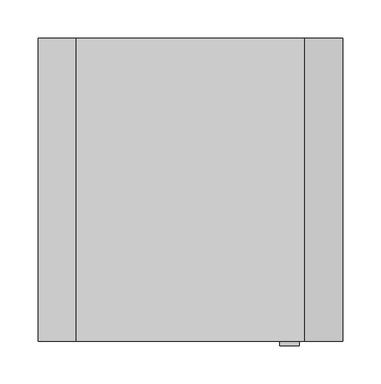
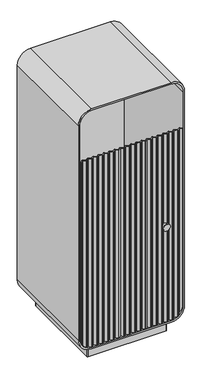
"""IFC4 building model written with IfcOpenShell, lengths in millimetres: furniture geometry."""

from ifc_helpers import new_model, si_unit, point, frame, frame_2d, origin, origin_with_axes, place, context, project, spatial, polyline, circle_curve, ellipse_curve, trimmed, segment, composite_curve, outline, extrude, source, transform, mapped, element, save
from ifc_brep_helpers import plane_surface, cylinder_surface, advanced_brep


def furniture_152d126c(model_context):
    return source(origin(), model_context, "Body", "SolidModel", [
        extrude(outline(composite_curve([segment(polyline([(804.0, -194.0), (101.0, -194.0)]), True, "CONTINUOUS"), segment(trimmed(circle_curve(frame_2d((101.0, -149.0)), 45.0), [point((101.0, -194.0))], [point((56.0, -149.0))], False, "CARTESIAN"), True, "CONTINUOUS"), segment(polyline([(56.0, -149.0), (56.0, 149.0)]), True, "CONTINUOUS"), segment(trimmed(circle_curve(frame_2d((101.0, 149.0)), 45.0), [point((56.0, 149.0))], [point((101.0, 194.0))], False, "CARTESIAN"), True, "CONTINUOUS"), segment(polyline([(101.0, 194.0), (804.0, 194.0), (804.0, -194.0)]), True, "CONTINUOUS")], self_intersect=False)), frame((0.0, 184.9992599, 0.0), z_axis=(0.0, 1.0, 0.0), x_axis=(0.0, 0.0, 1.0)), (0.0, 0.0, 1.0), 15.0007401),
        extrude(outline(composite_curve([segment(trimmed(circle_curve(frame_2d((100.0, -150.0)), 50.0), [point((100.0, -200.0))], [point((50.0, -150.0))], False, "CARTESIAN"), True, "CONTINUOUS"), segment(polyline([(50.0, -150.0), (50.0, 150.0)]), True, "CONTINUOUS"), segment(trimmed(circle_curve(frame_2d((100.0, 150.0)), 50.0), [point((50.0, 150.0))], [point((100.0, 200.0))], False, "CARTESIAN"), True, "CONTINUOUS"), segment(polyline([(100.0, 200.0), (953.0, 200.0)]), True, "CONTINUOUS"), segment(trimmed(circle_curve(frame_2d((953.0, 150.0)), 50.0), [point((953.0, 200.0))], [point((1003.0, 150.0))], False, "CARTESIAN"), True, "CONTINUOUS"), segment(polyline([(1003.0, 150.0), (1003.0, -150.0)]), True, "CONTINUOUS"), segment(trimmed(circle_curve(frame_2d((953.0, -150.0)), 50.0), [point((1003.0, -150.0))], [point((953.0, -200.0))], False, "CARTESIAN"), True, "CONTINUOUS"), segment(polyline([(953.0, -200.0), (100.0, -200.0)]), True, "CONTINUOUS")], self_intersect=False), holes=[composite_curve([segment(trimmed(circle_curve(frame_2d((952.0, -149.0)), 45.0), [point((952.0, -194.0))], [point((997.0, -149.0))], True, "CARTESIAN"), True, "CONTINUOUS"), segment(polyline([(997.0, -149.0), (997.0, 149.0)]), True, "CONTINUOUS"), segment(trimmed(circle_curve(frame_2d((952.0, 149.0)), 45.0), [point((997.0, 149.0))], [point((952.0, 194.0))], True, "CARTESIAN"), True, "CONTINUOUS"), segment(polyline([(952.0, 194.0), (101.0, 194.0)]), True, "CONTINUOUS"), segment(trimmed(circle_curve(frame_2d((101.0, 149.0)), 45.0), [point((101.0, 194.0))], [point((56.0, 149.0))], True, "CARTESIAN"), True, "CONTINUOUS"), segment(polyline([(56.0, 149.0), (56.0, -149.0)]), True, "CONTINUOUS"), segment(trimmed(circle_curve(frame_2d((101.0, -149.0)), 45.0), [point((56.0, -149.0))], [point((101.0, -194.0))], True, "CARTESIAN"), True, "CONTINUOUS"), segment(polyline([(101.0, -194.0), (952.0, -194.0)]), True, "CONTINUOUS")], self_intersect=False)]), frame((0.0, -197.9992599, 0.0), z_axis=(0.0, 1.0, 0.0), x_axis=(0.0, 0.0, 1.0)), (0.0, 0.0, 1.0), 397.9992599),
        extrude(outline(composite_curve([segment(polyline([(-150.0, -167.0462242), (-150.0, 167.0)]), True, "CONTINUOUS"), segment(trimmed(circle_curve(frame_2d((-147.0, 167.0)), 3.0), [point((-150.0, 167.0))], [point((-147.0, 170.0))], False, "CARTESIAN"), True, "CONTINUOUS"), segment(polyline([(-147.0, 170.0), (147.0, 170.0)]), True, "CONTINUOUS"), segment(trimmed(circle_curve(frame_2d((147.0, 167.0)), 3.0), [point((147.0, 170.0))], [point((150.0, 167.0))], False, "CARTESIAN"), True, "CONTINUOUS"), segment(polyline([(150.0, 167.0), (150.0, -167.0)]), True, "CONTINUOUS"), segment(trimmed(circle_curve(frame_2d((147.0, -167.0)), 3.0), [point((150.0, -167.0))], [point((147.0, -170.0))], False, "CARTESIAN"), True, "CONTINUOUS"), segment(polyline([(147.0, -170.0), (-147.0462242, -170.0)]), True, "CONTINUOUS"), segment(trimmed(circle_curve(frame_2d((-147.0462242, -167.0462242)), 2.9537758), [point((-147.0462242, -170.0))], [point((-150.0, -167.0462242))], False, "CARTESIAN"), True, "CONTINUOUS")], self_intersect=False)), origin_with_axes(), (0.0, 0.0, 1.0), 50.0),
        advanced_brep(
        [(-138.8845953, -190.9788523, 804.0), (-130.5714286, -197.3767024, 804.0), (-126.9120478, -197.3767024, 804.0), (-118.598881, -190.9788523, 804.0), (-110.2857143, -197.3767024, 804.0), (-106.6263335, -197.3767024, 804.0), (-98.3131668, -190.9788523, 804.0), (-90.0, -197.3767024, 804.0), (-86.3406192, -197.3767024, 804.0), (-78.0274525, -190.9788523, 804.0), (-69.7142857, -197.3767024, 804.0), (-66.054905, -197.3767024, 804.0), (-57.7417382, -190.9788523, 804.0), (-49.4285714, -197.3767024, 804.0), (-45.7691907, -197.3767024, 804.0), (-37.4560239, -190.9788523, 804.0), (-29.1428571, -197.3767024, 804.0), (-25.4834764, -197.3767024, 804.0), (-17.1703096, -190.9788523, 804.0), (-8.8571429, -197.3767024, 804.0), (-5.1977621, -197.3767024, 804.0), (3.1154047, -190.9788523, 804.0), (11.4285714, -197.3767024, 804.0), (15.0879522, -197.3767024, 804.0), (23.401119, -190.9788523, 804.0), (31.7142857, -197.3767024, 804.0), (35.3736665, -197.3767024, 804.0), (43.6868332, -190.9788523, 804.0), (52.0, -197.3767024, 804.0), (55.6593808, -197.3767024, 804.0), (63.9725475, -190.9788523, 804.0), (72.2857143, -197.3767024, 804.0), (75.945095, -197.3767024, 804.0), (84.2582618, -190.9788523, 804.0), (92.5714286, -197.3767024, 804.0), (96.2308093, -197.3767024, 804.0), (104.5439761, -190.9788523, 804.0), (112.8571429, -197.3767024, 804.0), (116.5165236, -197.3767024, 804.0), (124.8296904, -190.9788523, 804.0), (133.1428571, -197.3767024, 804.0), (136.8022379, -197.3767024, 804.0), (145.1154047, -190.9788523, 804.0), (153.4285714, -197.3767024, 804.0), (157.0879522, -197.3767024, 804.0), (165.401119, -190.9788523, 804.0), (173.7142857, -197.3767024, 804.0), (177.3736665, -197.3767024, 804.0), (185.6868332, -190.9788523, 804.0), (194.0, -197.3767024, 804.0), (194.0, -193.591122, 804.0), (187.5165236, -188.6014097, 804.0), (183.8571429, -188.6014097, 804.0), (175.5439761, -194.9992599, 804.0), (167.2308093, -188.6014097, 804.0), (163.5714286, -188.6014097, 804.0), (155.2582618, -194.9992599, 804.0), (146.945095, -188.6014097, 804.0), (143.2857143, -188.6014097, 804.0), (134.9725475, -194.9992599, 804.0), (126.6593808, -188.6014097, 804.0), (123.0, -188.6014097, 804.0), (114.6868332, -194.9992599, 804.0), (106.3736665, -188.6014097, 804.0), (102.7142857, -188.6014097, 804.0), (94.401119, -194.9992599, 804.0), (86.0879522, -188.6014097, 804.0), (82.4285714, -188.6014097, 804.0), (74.1154047, -194.9992599, 804.0), (65.8022379, -188.6014097, 804.0), (62.1428571, -188.6014097, 804.0), (53.8296904, -194.9992599, 804.0), (45.5165236, -188.6014097, 804.0), (41.8571429, -188.6014097, 804.0), (33.5439761, -194.9992599, 804.0), (25.2308093, -188.6014097, 804.0), (21.5714286, -188.6014097, 804.0), (13.2582618, -194.9992599, 804.0), (4.945095, -188.6014097, 804.0), (1.2857143, -188.6014097, 804.0), (-7.0274525, -194.9992599, 804.0), (-15.3406192, -188.6014097, 804.0), (-19.0, -188.6014097, 804.0), (-27.3131668, -194.9992599, 804.0), (-35.6263335, -188.6014097, 804.0), (-39.2857143, -188.6014097, 804.0), (-47.598881, -194.9992599, 804.0), (-55.9120478, -188.6014097, 804.0), (-59.5714286, -188.6014097, 804.0), (-67.8845953, -194.9992599, 804.0), (-76.1977621, -188.6014097, 804.0), (-79.8571429, -188.6014097, 804.0), (-88.1703096, -194.9992599, 804.0), (-96.4834764, -188.6014097, 804.0), (-100.1428571, -188.6014097, 804.0), (-108.4560239, -194.9992599, 804.0), (-116.7691907, -188.6014097, 804.0), (-120.4285714, -188.6014097, 804.0), (-128.7417382, -194.9992599, 804.0), (-137.054905, -188.6014097, 804.0), (-140.7142857, -188.6014097, 804.0), (-149.0274525, -194.9992599, 804.0), (-157.3406192, -188.6014097, 804.0), (-161.0, -188.6014097, 804.0), (-169.3131668, -194.9992599, 804.0), (-177.6263335, -188.6014097, 804.0), (-181.2857143, -188.6014097, 804.0), (-189.598881, -194.9992599, 804.0), (-194.0, -191.6121391, 804.0), (-194.0, -195.3977196, 804.0), (-191.4285714, -197.3767024, 804.0), (-187.7691907, -197.3767024, 804.0), (-179.4560239, -190.9788523, 804.0), (-171.1428571, -197.3767024, 804.0), (-167.4834764, -197.3767024, 804.0), (-159.1703096, -190.9788523, 804.0), (-150.8571429, -197.3767024, 804.0), (-147.1977621, -197.3767024, 804.0), (-138.8845953, -190.9788523, 56.0), (-147.1977621, -197.3767024, 56.0), (-150.8571429, -197.3767024, 56.0), (-159.1703096, -190.9788523, 56.0), (-167.4834764, -197.3767024, 56.0), (-169.7439758, -197.968166, 56.0), (-169.7439758, -194.6677073, 56.0), (-169.3131668, -194.9992599, 56.0), (-161.0, -188.6014097, 56.0), (-157.3406192, -188.6014097, 56.0), (-149.0274525, -194.9992599, 56.0), (-140.7142857, -188.6014097, 56.0), (-137.054905, -188.6014097, 56.0), (-128.7417382, -194.9992599, 56.0), (-120.4285714, -188.6014097, 56.0), (-116.7691907, -188.6014097, 56.0), (-108.4560239, -194.9992599, 56.0), (-100.1428571, -188.6014097, 56.0), (-96.4834764, -188.6014097, 56.0), (-88.1703096, -194.9992599, 56.0), (-79.8571429, -188.6014097, 56.0), (-76.1977621, -188.6014097, 56.0), (-67.8845953, -194.9992599, 56.0), (-59.5714286, -188.6014097, 56.0), (-55.9120478, -188.6014097, 56.0), (-47.598881, -194.9992599, 56.0), (-39.2857143, -188.6014097, 56.0), (-35.6263335, -188.6014097, 56.0), (-27.3131668, -194.9992599, 56.0), (-19.0, -188.6014097, 56.0), (-15.3406192, -188.6014097, 56.0), (-7.0274525, -194.9992599, 56.0), (1.2857143, -188.6014097, 56.0), (4.945095, -188.6014097, 56.0), (13.2582618, -194.9992599, 56.0), (21.5714286, -188.6014097, 56.0), (25.2308093, -188.6014097, 56.0), (33.5439761, -194.9992599, 56.0), (41.8571429, -188.6014097, 56.0), (45.5165236, -188.6014097, 56.0), (53.8296904, -194.9992599, 56.0), (62.1428571, -188.6014097, 56.0), (65.8022379, -188.6014097, 56.0), (74.1154047, -194.9992599, 56.0), (82.4285714, -188.6014097, 56.0), (86.0879522, -188.6014097, 56.0), (94.401119, -194.9992599, 56.0), (102.7142857, -188.6014097, 56.0), (106.3736665, -188.6014097, 56.0), (114.6868332, -194.9992599, 56.0), (123.0, -188.6014097, 56.0), (126.6593808, -188.6014097, 56.0), (134.9725475, -194.9992599, 56.0), (143.2857143, -188.6014097, 56.0), (146.945095, -188.6014097, 56.0), (155.2582618, -194.9992599, 56.0), (163.5714286, -188.6014097, 56.0), (167.2308093, -188.6014097, 56.0), (169.7439758, -190.5355539, 56.0), (169.7439758, -194.3211343, 56.0), (165.401119, -190.9788523, 56.0), (157.0879522, -197.3767024, 56.0), (153.4285714, -197.3767024, 56.0), (145.1154047, -190.9788523, 56.0), (136.8022379, -197.3767024, 56.0), (133.1428571, -197.3767024, 56.0), (124.8296904, -190.9788523, 56.0), (116.5165236, -197.3767024, 56.0), (112.8571429, -197.3767024, 56.0), (104.5439761, -190.9788523, 56.0), (96.2308093, -197.3767024, 56.0), (92.5714286, -197.3767024, 56.0), (84.2582618, -190.9788523, 56.0), (75.945095, -197.3767024, 56.0), (72.2857143, -197.3767024, 56.0), (63.9725475, -190.9788523, 56.0), (55.6593808, -197.3767024, 56.0), (52.0, -197.3767024, 56.0), (43.6868332, -190.9788523, 56.0), (35.3736665, -197.3767024, 56.0), (31.7142857, -197.3767024, 56.0), (23.401119, -190.9788523, 56.0), (15.0879522, -197.3767024, 56.0), (11.4285714, -197.3767024, 56.0), (3.1154047, -190.9788523, 56.0), (-5.1977621, -197.3767024, 56.0), (-8.8571429, -197.3767024, 56.0), (-17.1703096, -190.9788523, 56.0), (-25.4834764, -197.3767024, 56.0), (-29.1428571, -197.3767024, 56.0), (-37.4560239, -190.9788523, 56.0), (-45.7691907, -197.3767024, 56.0), (-49.4285714, -197.3767024, 56.0), (-57.7417382, -190.9788523, 56.0), (-66.054905, -197.3767024, 56.0), (-69.7142857, -197.3767024, 56.0), (-78.0274525, -190.9788523, 56.0), (-86.3406192, -197.3767024, 56.0), (-90.0, -197.3767024, 56.0), (-98.3131668, -190.9788523, 56.0), (-106.6263335, -197.3767024, 56.0), (-110.2857143, -197.3767024, 56.0), (-118.598881, -190.9788523, 56.0), (-126.9120478, -197.3767024, 56.0), (-130.5714286, -197.3767024, 56.0), (173.7142857, -197.3767024, 59.9703099), (177.3736665, -197.3767024, 63.6296906), (185.6868332, -190.9788523, 71.9428574), (194.0, -197.3767024, 80.2560242), (194.0, -193.591122, 80.2560242), (187.5165236, -188.6014097, 73.7725478), (183.8571429, -188.6014097, 70.113167), (175.5439761, -194.9992599, 61.8000002), (-177.6263335, -188.6014097, 63.8823577), (-181.2857143, -188.6014097, 67.5417384), (-189.598881, -194.9992599, 75.8549052), (-194.0, -191.6121391, 80.2560242), (-194.0, -195.3977196, 80.2560242), (-191.4285714, -197.3767024, 77.6845956), (-187.7691907, -197.3767024, 74.0252148), (-179.4560239, -190.9788523, 65.7120481), (-171.1428571, -197.3767024, 57.3988813)],
        [
            (0, 1),
            (1, 2, circle_curve(frame((-128.7417382, -194.9992599, 804.0), z_axis=(0.0, 0.0, 1.0), x_axis=(-0.6098967931275215, -0.7924808525969351, 0.0)), 3.0)),
            (2, 3),
            (3, 4),
            (4, 5, circle_curve(frame((-108.4560239, -194.9992599, 804.0), z_axis=(0.0, 0.0, 1.0), x_axis=(-0.6098967931270949, -0.7924808525972635, 0.0)), 3.0)),
            (5, 6),
            (6, 7),
            (7, 8, circle_curve(frame((-88.1703096, -194.9992599, 804.0), z_axis=(0.0, 0.0, 1.0), x_axis=(-0.6098967931317687, -0.7924808525936666, 0.0)), 3.0)),
            (8, 9),
            (9, 10),
            (10, 11, circle_curve(frame((-67.8845953, -194.9992599, 804.0), z_axis=(0.0, 0.0, 1.0), x_axis=(-0.6098967931273815, -0.7924808525970428, 0.0)), 3.0)),
            (11, 12),
            (12, 13),
            (13, 14, circle_curve(frame((-47.598881, -194.9992599, 804.0), z_axis=(0.0, 0.0, 1.0), x_axis=(-0.609896793126048, -0.7924808525980691, 0.0)), 3.0)),
            (14, 15),
            (15, 16),
            (16, 17, circle_curve(frame((-27.3131668, -194.9992599, 804.0), z_axis=(0.0, 0.0, 1.0), x_axis=(-0.6098967931275394, -0.7924808525969215, 0.0)), 3.0)),
            (17, 18),
            (18, 19),
            (19, 20, circle_curve(frame((-7.0274525, -194.9992599, 804.0), z_axis=(0.0, 0.0, 1.0), x_axis=(-0.6098967931238323, -0.7924808525997744, 0.0)), 3.0)),
            (20, 21),
            (21, 22),
            (22, 23, circle_curve(frame((13.2582618, -194.9992599, 804.0), z_axis=(0.0, 0.0, 1.0), x_axis=(-0.6098967931271994, -0.7924808525971831, 0.0)), 3.0)),
            (23, 24),
            (24, 25),
            (25, 26, circle_curve(frame((33.5439761, -194.9992599, 804.0), z_axis=(0.0, 0.0, 1.0), x_axis=(-0.6098967931268593, -0.7924808525974448, 0.0)), 3.0)),
            (26, 27),
            (27, 28),
            (28, 29, circle_curve(frame((53.8296904, -194.9992599, 804.0), z_axis=(0.0, 0.0, 1.0), x_axis=(-0.609896793126048, -0.7924808525980691, 0.0)), 3.0)),
            (29, 30),
            (30, 31),
            (31, 32, circle_curve(frame((74.1154047, -194.9992599, 804.0), z_axis=(0.0, 0.0, 1.0), x_axis=(-0.6098967931250369, -0.7924808525988474, 0.0)), 3.0)),
            (32, 33),
            (33, 34),
            (34, 35, circle_curve(frame((94.401119, -194.9992599, 804.0), z_axis=(0.0, 0.0, 1.0), x_axis=(-0.6098967931278616, -0.7924808525966734, 0.0)), 3.0)),
            (35, 36),
            (36, 37),
            (37, 38, circle_curve(frame((114.6868332, -194.9992599, 804.0), z_axis=(0.0, 0.0, 1.0), x_axis=(-0.6098967931282194, -0.792480852596398, 0.0)), 3.0)),
            (38, 39),
            (39, 40),
            (40, 41, circle_curve(frame((134.9725475, -194.9992599, 804.0), z_axis=(0.0, 0.0, 1.0), x_axis=(-0.609896793127426, -0.7924808525970086, 0.0)), 3.0)),
            (41, 42),
            (42, 43),
            (43, 44, circle_curve(frame((155.2582618, -194.9992599, 804.0), z_axis=(0.0, 0.0, 1.0), x_axis=(-0.6098967931313064, -0.7924808525940223, 0.0)), 3.0)),
            (44, 45),
            (45, 46),
            (46, 47, circle_curve(frame((175.5439761, -194.9992599, 804.0), z_axis=(0.0, 0.0, 1.0), x_axis=(-0.6098967931289172, -0.792480852595861, 0.0)), 3.0)),
            (47, 48),
            (48, 49),
            (49, 50),
            (50, 51),
            (51, 52, circle_curve(frame((185.6868332, -190.9788523, 804.0), z_axis=(0.0, 0.0, 1.0), x_axis=(0.6098967931289084, 0.7924808525958679, 0.0)), 3.0)),
            (52, 53),
            (53, 54),
            (54, 55, circle_curve(frame((165.401119, -190.9788523, 804.0), z_axis=(0.0, 0.0, 1.0), x_axis=(0.6098967931275215, 0.7924808525969351, 0.0)), 3.0)),
            (55, 56),
            (56, 57),
            (57, 58, circle_curve(frame((145.1154047, -190.9788523, 804.0), z_axis=(0.0, 0.0, 1.0), x_axis=(0.6098967931289172, 0.792480852595861, 0.0)), 3.0)),
            (58, 59),
            (59, 60),
            (60, 61, circle_curve(frame((124.8296904, -190.9788523, 804.0), z_axis=(0.0, 0.0, 1.0), x_axis=(0.6098967931269638, 0.7924808525973644, 0.0)), 3.0)),
            (61, 62),
            (62, 63),
            (63, 64, circle_curve(frame((104.5439761, -190.9788523, 804.0), z_axis=(0.0, 0.0, 1.0), x_axis=(0.6098967931278971, 0.792480852596646, 0.0)), 3.0)),
            (64, 65),
            (65, 66),
            (66, 67, circle_curve(frame((84.2582618, -190.9788523, 804.0), z_axis=(0.0, 0.0, 1.0), x_axis=(0.6098967931282283, 0.7924808525963912, 0.0)), 3.0)),
            (67, 68),
            (68, 69),
            (69, 70, circle_curve(frame((63.9725475, -190.9788523, 804.0), z_axis=(0.0, 0.0, 1.0), x_axis=(0.6098967931286817, 0.7924808525960423, 0.0)), 3.0)),
            (70, 71),
            (71, 72),
            (72, 73, circle_curve(frame((43.6868332, -190.9788523, 804.0), z_axis=(0.0, 0.0, 1.0), x_axis=(0.6098967931271548, 0.7924808525972173, 0.0)), 3.0)),
            (73, 74),
            (74, 75),
            (75, 76, circle_curve(frame((23.401119, -190.9788523, 804.0), z_axis=(0.0, 0.0, 1.0), x_axis=(0.6098967931271816, 0.7924808525971968, 0.0)), 3.0)),
            (76, 77),
            (77, 78),
            (78, 79, circle_curve(frame((3.1154047, -190.9788523, 804.0), z_axis=(0.0, 0.0, 1.0), x_axis=(0.6098967931264926, 0.792480852597727, 0.0)), 3.0)),
            (79, 80),
            (80, 81),
            (81, 82, circle_curve(frame((-17.1703096, -190.9788523, 804.0), z_axis=(0.0, 0.0, 1.0), x_axis=(0.609896793127295, 0.7924808525971097, 0.0)), 3.0)),
            (82, 83),
            (83, 84),
            (84, 85, circle_curve(frame((-37.4560239, -190.9788523, 804.0), z_axis=(0.0, 0.0, 1.0), x_axis=(0.6098967931272171, 0.7924808525971695, 0.0)), 3.0)),
            (85, 86),
            (86, 87),
            (87, 88, circle_curve(frame((-57.7417382, -190.9788523, 804.0), z_axis=(0.0, 0.0, 1.0), x_axis=(0.6098967931288994, 0.7924808525958746, 0.0)), 3.0)),
            (88, 89),
            (89, 90),
            (90, 91, circle_curve(frame((-78.0274525, -190.9788523, 804.0), z_axis=(0.0, 0.0, 1.0), x_axis=(0.609896793127766, 0.7924808525967469, 0.0)), 3.0)),
            (91, 92),
            (92, 93),
            (93, 94, circle_curve(frame((-98.3131668, -190.9788523, 804.0), z_axis=(0.0, 0.0, 1.0), x_axis=(0.6098967931293618, 0.7924808525955189, 0.0)), 3.0)),
            (94, 95),
            (95, 96),
            (96, 97, circle_curve(frame((-118.598881, -190.9788523, 804.0), z_axis=(0.0, 0.0, 1.0), x_axis=(0.6098967931290217, 0.7924808525957806, 0.0)), 3.0)),
            (97, 98),
            (98, 99),
            (99, 100, circle_curve(frame((-138.8845953, -190.9788523, 804.0), z_axis=(0.0, 0.0, 1.0), x_axis=(0.6098967931270682, 0.7924808525972841, 0.0)), 3.0)),
            (100, 101),
            (101, 102),
            (102, 103, circle_curve(frame((-159.1703096, -190.9788523, 804.0), z_axis=(0.0, 0.0, 1.0), x_axis=(0.6098967931290395, 0.792480852595767, 0.0)), 3.0)),
            (103, 104),
            (104, 105),
            (105, 106, circle_curve(frame((-179.4560239, -190.9788523, 804.0), z_axis=(0.0, 0.0, 1.0), x_axis=(0.6098967931270682, 0.7924808525972841, 0.0)), 3.0)),
            (106, 107),
            (107, 108),
            (108, 109),
            (109, 110),
            (110, 111, circle_curve(frame((-189.598881, -194.9992599, 804.0), z_axis=(0.0, 0.0, 1.0), x_axis=(-0.6098967931257081, -0.7924808525983308, 0.0)), 3.0)),
            (111, 112),
            (112, 113),
            (113, 114, circle_curve(frame((-169.3131668, -194.9992599, 804.0), z_axis=(0.0, 0.0, 1.0), x_axis=(-0.6098967931275215, -0.7924808525969351, 0.0)), 3.0)),
            (114, 115),
            (115, 116),
            (116, 117, circle_curve(frame((-149.0274525, -194.9992599, 804.0), z_axis=(0.0, 0.0, 1.0), x_axis=(-0.6098967931257081, -0.7924808525983308, 0.0)), 3.0)),
            (117, 0),
            (118, 119),
            (119, 120, circle_curve(frame((-149.0274525, -194.9992599, 56.0), z_axis=(0.0, 0.0, -1.0), x_axis=(-0.6098967931257081, -0.7924808525983308, 0.0)), 3.0)),
            (120, 121),
            (121, 122),
            (122, 123, circle_curve(frame((-169.3131668, -194.9992599, 56.0), z_axis=(0.0, 0.0, -1.0), x_axis=(-0.6098967931275215, -0.7924808525969351, 0.0)), 3.0)),
            (123, 124),
            (124, 125),
            (125, 126),
            (126, 127, circle_curve(frame((-159.1703096, -190.9788523, 56.0), z_axis=(0.0, 0.0, -1.0), x_axis=(0.6098967931290395, 0.792480852595767, 0.0)), 3.0)),
            (127, 128),
            (128, 129),
            (129, 130, circle_curve(frame((-138.8845953, -190.9788523, 56.0), z_axis=(0.0, 0.0, -1.0), x_axis=(0.6098967931270682, 0.7924808525972841, 0.0)), 3.0)),
            (130, 131),
            (131, 132),
            (132, 133, circle_curve(frame((-118.598881, -190.9788523, 56.0), z_axis=(0.0, 0.0, -1.0), x_axis=(0.6098967931290217, 0.7924808525957806, 0.0)), 3.0)),
            (133, 134),
            (134, 135),
            (135, 136, circle_curve(frame((-98.3131668, -190.9788523, 56.0), z_axis=(0.0, 0.0, -1.0), x_axis=(0.6098967931293618, 0.7924808525955189, 0.0)), 3.0)),
            (136, 137),
            (137, 138),
            (138, 139, circle_curve(frame((-78.0274525, -190.9788523, 56.0), z_axis=(0.0, 0.0, -1.0), x_axis=(0.609896793127766, 0.7924808525967469, 0.0)), 3.0)),
            (139, 140),
            (140, 141),
            (141, 142, circle_curve(frame((-57.7417382, -190.9788523, 56.0), z_axis=(0.0, 0.0, -1.0), x_axis=(0.6098967931288994, 0.7924808525958746, 0.0)), 3.0)),
            (142, 143),
            (143, 144),
            (144, 145, circle_curve(frame((-37.4560239, -190.9788523, 56.0), z_axis=(0.0, 0.0, -1.0), x_axis=(0.6098967931272171, 0.7924808525971695, 0.0)), 3.0)),
            (145, 146),
            (146, 147),
            (147, 148, circle_curve(frame((-17.1703096, -190.9788523, 56.0), z_axis=(0.0, 0.0, -1.0), x_axis=(0.609896793127295, 0.7924808525971097, 0.0)), 3.0)),
            (148, 149),
            (149, 150),
            (150, 151, circle_curve(frame((3.1154047, -190.9788523, 56.0), z_axis=(0.0, 0.0, -1.0), x_axis=(0.6098967931264926, 0.792480852597727, 0.0)), 3.0)),
            (151, 152),
            (152, 153),
            (153, 154, circle_curve(frame((23.401119, -190.9788523, 56.0), z_axis=(0.0, 0.0, -1.0), x_axis=(0.6098967931271816, 0.7924808525971968, 0.0)), 3.0)),
            (154, 155),
            (155, 156),
            (156, 157, circle_curve(frame((43.6868332, -190.9788523, 56.0), z_axis=(0.0, 0.0, -1.0), x_axis=(0.6098967931271548, 0.7924808525972173, 0.0)), 3.0)),
            (157, 158),
            (158, 159),
            (159, 160, circle_curve(frame((63.9725475, -190.9788523, 56.0), z_axis=(0.0, 0.0, -1.0), x_axis=(0.6098967931286817, 0.7924808525960423, 0.0)), 3.0)),
            (160, 161),
            (161, 162),
            (162, 163, circle_curve(frame((84.2582618, -190.9788523, 56.0), z_axis=(0.0, 0.0, -1.0), x_axis=(0.6098967931282283, 0.7924808525963912, 0.0)), 3.0)),
            (163, 164),
            (164, 165),
            (165, 166, circle_curve(frame((104.5439761, -190.9788523, 56.0), z_axis=(0.0, 0.0, -1.0), x_axis=(0.6098967931278971, 0.792480852596646, 0.0)), 3.0)),
            (166, 167),
            (167, 168),
            (168, 169, circle_curve(frame((124.8296904, -190.9788523, 56.0), z_axis=(0.0, 0.0, -1.0), x_axis=(0.6098967931269638, 0.7924808525973644, 0.0)), 3.0)),
            (169, 170),
            (170, 171),
            (171, 172, circle_curve(frame((145.1154047, -190.9788523, 56.0), z_axis=(0.0, 0.0, -1.0), x_axis=(0.6098967931289172, 0.792480852595861, 0.0)), 3.0)),
            (172, 173),
            (173, 174),
            (174, 175, circle_curve(frame((165.401119, -190.9788523, 56.0), z_axis=(0.0, 0.0, -1.0), x_axis=(0.6098967931275215, 0.7924808525969351, 0.0)), 3.0)),
            (175, 176),
            (176, 177),
            (177, 178),
            (178, 179),
            (179, 180, circle_curve(frame((155.2582618, -194.9992599, 56.0), z_axis=(0.0, 0.0, -1.0), x_axis=(-0.6098967931313064, -0.7924808525940223, 0.0)), 3.0)),
            (180, 181),
            (181, 182),
            (182, 183, circle_curve(frame((134.9725475, -194.9992599, 56.0), z_axis=(0.0, 0.0, -1.0), x_axis=(-0.609896793127426, -0.7924808525970086, 0.0)), 3.0)),
            (183, 184),
            (184, 185),
            (185, 186, circle_curve(frame((114.6868332, -194.9992599, 56.0), z_axis=(0.0, 0.0, -1.0), x_axis=(-0.6098967931282194, -0.792480852596398, 0.0)), 3.0)),
            (186, 187),
            (187, 188),
            (188, 189, circle_curve(frame((94.401119, -194.9992599, 56.0), z_axis=(0.0, 0.0, -1.0), x_axis=(-0.6098967931278616, -0.7924808525966734, 0.0)), 3.0)),
            (189, 190),
            (190, 191),
            (191, 192, circle_curve(frame((74.1154047, -194.9992599, 56.0), z_axis=(0.0, 0.0, -1.0), x_axis=(-0.6098967931250369, -0.7924808525988474, 0.0)), 3.0)),
            (192, 193),
            (193, 194),
            (194, 195, circle_curve(frame((53.8296904, -194.9992599, 56.0), z_axis=(0.0, 0.0, -1.0), x_axis=(-0.609896793126048, -0.7924808525980691, 0.0)), 3.0)),
            (195, 196),
            (196, 197),
            (197, 198, circle_curve(frame((33.5439761, -194.9992599, 56.0), z_axis=(0.0, 0.0, -1.0), x_axis=(-0.6098967931268593, -0.7924808525974448, 0.0)), 3.0)),
            (198, 199),
            (199, 200),
            (200, 201, circle_curve(frame((13.2582618, -194.9992599, 56.0), z_axis=(0.0, 0.0, -1.0), x_axis=(-0.6098967931271994, -0.7924808525971831, 0.0)), 3.0)),
            (201, 202),
            (202, 203),
            (203, 204, circle_curve(frame((-7.0274525, -194.9992599, 56.0), z_axis=(0.0, 0.0, -1.0), x_axis=(-0.6098967931238323, -0.7924808525997744, 0.0)), 3.0)),
            (204, 205),
            (205, 206),
            (206, 207, circle_curve(frame((-27.3131668, -194.9992599, 56.0), z_axis=(0.0, 0.0, -1.0), x_axis=(-0.6098967931275394, -0.7924808525969215, 0.0)), 3.0)),
            (207, 208),
            (208, 209),
            (209, 210, circle_curve(frame((-47.598881, -194.9992599, 56.0), z_axis=(0.0, 0.0, -1.0), x_axis=(-0.609896793126048, -0.7924808525980691, 0.0)), 3.0)),
            (210, 211),
            (211, 212),
            (212, 213, circle_curve(frame((-67.8845953, -194.9992599, 56.0), z_axis=(0.0, 0.0, -1.0), x_axis=(-0.6098967931273815, -0.7924808525970428, 0.0)), 3.0)),
            (213, 214),
            (214, 215),
            (215, 216, circle_curve(frame((-88.1703096, -194.9992599, 56.0), z_axis=(0.0, 0.0, -1.0), x_axis=(-0.6098967931317687, -0.7924808525936666, 0.0)), 3.0)),
            (216, 217),
            (217, 218),
            (218, 219, circle_curve(frame((-108.4560239, -194.9992599, 56.0), z_axis=(0.0, 0.0, -1.0), x_axis=(-0.6098967931270949, -0.7924808525972635, 0.0)), 3.0)),
            (219, 220),
            (220, 221),
            (221, 222, circle_curve(frame((-128.7417382, -194.9992599, 56.0), z_axis=(0.0, 0.0, -1.0), x_axis=(-0.6098967931275215, -0.7924808525969351, 0.0)), 3.0)),
            (222, 118),
            (0, 118),
            (222, 1),
            (221, 2),
            (220, 3),
            (219, 4),
            (218, 5),
            (217, 6),
            (216, 7),
            (215, 8),
            (214, 9),
            (213, 10),
            (212, 11),
            (211, 12),
            (210, 13),
            (209, 14),
            (208, 15),
            (207, 16),
            (206, 17),
            (205, 18),
            (204, 19),
            (203, 20),
            (202, 21),
            (201, 22),
            (200, 23),
            (199, 24),
            (198, 25),
            (197, 26),
            (196, 27),
            (195, 28),
            (194, 29),
            (193, 30),
            (192, 31),
            (191, 32),
            (190, 33),
            (189, 34),
            (188, 35),
            (187, 36),
            (186, 37),
            (185, 38),
            (184, 39),
            (183, 40),
            (182, 41),
            (181, 42),
            (180, 43),
            (179, 44),
            (178, 45),
            (177, 223),
            (223, 46),
            (223, 224, ellipse_curve(frame((175.5439761, -194.9992599, 61.8000002), z_axis=(-0.7071067811865492, 0.0, 0.7071067811865459), x_axis=(0.707106781186546, 0.0, 0.707106781186549)), 4.2426407, 3.0)),
            (224, 47),
            (224, 225),
            (225, 48),
            (225, 226),
            (226, 49),
            (50, 227),
            (227, 228),
            (228, 51),
            (228, 229, ellipse_curve(frame((185.6868332, -190.9788523, 71.9428574), z_axis=(-0.7071067811865492, 0.0, 0.7071067811865459), x_axis=(0.707106781186546, 0.0, 0.707106781186549)), 4.2426407, 3.0)),
            (229, 52),
            (229, 230),
            (230, 53),
            (230, 176),
            (175, 54),
            (174, 55),
            (173, 56),
            (172, 57),
            (171, 58),
            (170, 59),
            (169, 60),
            (168, 61),
            (167, 62),
            (166, 63),
            (165, 64),
            (164, 65),
            (163, 66),
            (162, 67),
            (161, 68),
            (160, 69),
            (159, 70),
            (158, 71),
            (157, 72),
            (156, 73),
            (155, 74),
            (154, 75),
            (153, 76),
            (152, 77),
            (151, 78),
            (150, 79),
            (149, 80),
            (148, 81),
            (147, 82),
            (146, 83),
            (145, 84),
            (144, 85),
            (143, 86),
            (142, 87),
            (141, 88),
            (140, 89),
            (139, 90),
            (138, 91),
            (137, 92),
            (136, 93),
            (135, 94),
            (134, 95),
            (133, 96),
            (132, 97),
            (131, 98),
            (130, 99),
            (129, 100),
            (128, 101),
            (127, 102),
            (126, 103),
            (125, 104),
            (114, 122),
            (121, 115),
            (120, 116),
            (119, 117),
            (226, 227),
            (124, 231),
            (231, 105),
            (231, 232, ellipse_curve(frame((-179.4560239, -190.9788523, 65.7120481), z_axis=(0.7071067811865492, 0.0, 0.7071067811865459), x_axis=(-0.707106781186546, 0.0, 0.707106781186549)), 4.2426407, 3.0)),
            (232, 106),
            (232, 233),
            (233, 107),
            (233, 234),
            (234, 108),
            (234, 235),
            (235, 109),
            (235, 236),
            (236, 110),
            (236, 237, ellipse_curve(frame((-189.598881, -194.9992599, 75.8549052), z_axis=(0.7071067811865492, 0.0, 0.7071067811865459), x_axis=(-0.707106781186546, 0.0, 0.707106781186549)), 4.2426407, 3.0)),
            (237, 111),
            (237, 238),
            (238, 112),
            (238, 239),
            (239, 113),
            (239, 123, ellipse_curve(frame((-169.3131668, -194.9992599, 55.5691909), z_axis=(0.7071067811865492, 0.0, 0.7071067811865459), x_axis=(-0.707106781186546, 0.0, 0.707106781186549)), 4.2426407, 3.0)),
        ],
        [
            plane_surface(frame((-138.8845953, -190.9788523, 804.0), z_axis=(0.0, 0.0, 1.0000000000000002), x_axis=(0.7924808525968475, -0.6098967931276355, 0.0))),
            plane_surface(frame((-138.8845953, -190.9788523, 56.0), z_axis=(0.0, 0.0, -1.0000000000000002), x_axis=(-0.7924808525968475, 0.6098967931276355, 0.0))),
            plane_surface(frame((-138.8845953, -190.9788523, 804.0), z_axis=(-0.6098967931276355, -0.7924808525968475, 0.0), x_axis=(0.0, 0.0, -1.0))),
            cylinder_surface(frame((-128.7417382, -194.9992599, 56.0), z_axis=(0.0, 0.0, 1.0), x_axis=(-0.6098967931275215, -0.7924808525969351, 0.0)), 3.0),
            plane_surface(frame((-126.9120478, -197.3767024, 804.0), z_axis=(0.6098967931277232, -0.79248085259678, 0.0), x_axis=(0.0, 0.0, -1.0))),
            plane_surface(frame((-118.598881, -190.9788523, 804.0), z_axis=(-0.6098967931278355, -0.7924808525966937, 0.0), x_axis=(0.0, 0.0, -1.0))),
            cylinder_surface(frame((-108.4560239, -194.9992599, 56.0), z_axis=(0.0, 0.0, 1.0), x_axis=(-0.6098967931270949, -0.7924808525972635, 0.0)), 3.0),
            plane_surface(frame((-106.6263335, -197.3767024, 804.0), z_axis=(0.6098967931275164, -0.7924808525969391, 0.0), x_axis=(0.0, 0.0, -1.0))),
            plane_surface(frame((-98.3131668, -190.9788523, 804.0), z_axis=(-0.6098967931277871, -0.7924808525967308, 0.0), x_axis=(0.0, 0.0, -1.0))),
            cylinder_surface(frame((-88.1703096, -194.9992599, 56.0), z_axis=(0.0, 0.0, 1.0000000000000002), x_axis=(-0.6098967931317687, -0.7924808525936666, 0.0)), 3.0),
            plane_surface(frame((-86.3406192, -197.3767024, 804.0), z_axis=(0.6098967931281246, -0.7924808525964709, 0.0), x_axis=(0.0, 0.0, -1.0))),
            plane_surface(frame((-78.0274525, -190.9788523, 804.0), z_axis=(-0.6098967931278422, -0.7924808525966884, 0.0), x_axis=(0.0, 0.0, -1.0))),
            cylinder_surface(frame((-67.8845953, -194.9992599, 56.0), z_axis=(0.0, 0.0, 1.0), x_axis=(-0.6098967931273815, -0.7924808525970428, 0.0)), 3.0),
            plane_surface(frame((-66.054905, -197.3767024, 804.0), z_axis=(0.6098967931282282, -0.7924808525963912, 0.0), x_axis=(0.0, 0.0, -1.0))),
            plane_surface(frame((-57.7417382, -190.9788523, 804.0), z_axis=(-0.6098967931278609, -0.7924808525966739, 0.0), x_axis=(0.0, 0.0, -1.0))),
            cylinder_surface(frame((-47.598881, -194.9992599, 56.0), z_axis=(0.0, 0.0, 1.0), x_axis=(-0.609896793126048, -0.7924808525980691, 0.0)), 3.0),
            plane_surface(frame((-45.7691907, -197.3767024, 804.0), z_axis=(0.6098967931274271, -0.7924808525970078, 0.0), x_axis=(0.0, 0.0, -1.0))),
            plane_surface(frame((-37.4560239, -190.9788523, 804.0), z_axis=(-0.6098967931276097, -0.7924808525968674, 0.0), x_axis=(0.0, 0.0, -1.0))),
            cylinder_surface(frame((-27.3131668, -194.9992599, 56.0), z_axis=(0.0, 0.0, 1.0000000000000002), x_axis=(-0.6098967931275394, -0.7924808525969215, 0.0)), 3.0),
            plane_surface(frame((-25.4834764, -197.3767024, 804.0), z_axis=(0.6098967931282945, -0.7924808525963403, 0.0), x_axis=(0.0, 0.0, -1.0))),
            plane_surface(frame((-17.1703096, -190.9788523, 804.0), z_axis=(-0.6098967931277283, -0.7924808525967761, 0.0), x_axis=(0.0, 0.0, -1.0))),
            cylinder_surface(frame((-7.0274525, -194.9992599, 56.0), z_axis=(0.0, 0.0, 1.0), x_axis=(-0.6098967931238323, -0.7924808525997744, 0.0)), 3.0),
            plane_surface(frame((-5.1977621, -197.3767024, 804.0), z_axis=(0.6098967931280138, -0.7924808525965564, 0.0), x_axis=(0.0, 0.0, -1.0))),
            plane_surface(frame((3.1154047, -190.9788523, 804.0), z_axis=(-0.609896793127958, -0.7924808525965993, 0.0), x_axis=(0.0, 0.0, -1.0))),
            cylinder_surface(frame((13.2582618, -194.9992599, 56.0), z_axis=(0.0, 0.0, 1.0), x_axis=(-0.6098967931271994, -0.7924808525971831, 0.0)), 3.0),
            plane_surface(frame((15.0879522, -197.3767024, 804.0), z_axis=(0.6098967931273329, -0.7924808525970803, 0.0), x_axis=(0.0, 0.0, -1.0))),
            plane_surface(frame((23.401119, -190.9788523, 804.0), z_axis=(-0.6098967931274716, -0.7924808525969737, 0.0), x_axis=(0.0, 0.0, -1.0))),
            cylinder_surface(frame((33.5439761, -194.9992599, 56.0), z_axis=(0.0, 0.0, 1.0), x_axis=(-0.6098967931268593, -0.7924808525974448, 0.0)), 3.0),
            plane_surface(frame((35.3736665, -197.3767024, 804.0), z_axis=(0.6098967931273085, -0.7924808525970991, 0.0), x_axis=(0.0, 0.0, -1.0))),
            plane_surface(frame((43.6868332, -190.9788523, 804.0), z_axis=(-0.6098967931280533, -0.7924808525965258, 0.0), x_axis=(0.0, 0.0, -1.0))),
            cylinder_surface(frame((53.8296904, -194.9992599, 56.0), z_axis=(0.0, 0.0, 1.0), x_axis=(-0.609896793126048, -0.7924808525980691, 0.0)), 3.0),
            plane_surface(frame((55.6593808, -197.3767024, 804.0), z_axis=(0.6098967931273782, -0.7924808525970455, 0.0), x_axis=(0.0, 0.0, -1.0))),
            plane_surface(frame((63.9725475, -190.9788523, 804.0), z_axis=(-0.6098967931277168, -0.7924808525967849, 0.0), x_axis=(0.0, 0.0, -1.0))),
            cylinder_surface(frame((74.1154047, -194.9992599, 56.0), z_axis=(0.0, 0.0, 1.0), x_axis=(-0.6098967931250369, -0.7924808525988474, 0.0)), 3.0),
            plane_surface(frame((75.945095, -197.3767024, 804.0), z_axis=(0.6098967931271555, -0.7924808525972169, 0.0), x_axis=(0.0, 0.0, -1.0))),
            plane_surface(frame((84.2582618, -190.9788523, 804.0), z_axis=(-0.6098967931277423, -0.7924808525967653, 0.0), x_axis=(0.0, 0.0, -1.0))),
            cylinder_surface(frame((94.401119, -194.9992599, 56.0), z_axis=(0.0, 0.0, 1.0), x_axis=(-0.6098967931278616, -0.7924808525966734, 0.0)), 3.0),
            plane_surface(frame((96.2308093, -197.3767024, 804.0), z_axis=(0.6098967931276147, -0.7924808525968634, 0.0), x_axis=(0.0, 0.0, -1.0))),
            plane_surface(frame((104.5439761, -190.9788523, 804.0), z_axis=(-0.6098967931276777, -0.792480852596815, 0.0), x_axis=(0.0, 0.0, -1.0))),
            cylinder_surface(frame((114.6868332, -194.9992599, 56.0), z_axis=(0.0, 0.0, 1.0), x_axis=(-0.6098967931282194, -0.792480852596398, 0.0)), 3.0),
            plane_surface(frame((116.5165236, -197.3767024, 804.0), z_axis=(0.6098967931281563, -0.7924808525964467, 0.0), x_axis=(0.0, 0.0, -1.0))),
            plane_surface(frame((124.8296904, -190.9788523, 804.0), z_axis=(-0.6098967931276964, -0.7924808525968006, 0.0), x_axis=(0.0, 0.0, -1.0))),
            cylinder_surface(frame((134.9725475, -194.9992599, 56.0), z_axis=(0.0, 0.0, 1.0), x_axis=(-0.609896793127426, -0.7924808525970086, 0.0)), 3.0),
            plane_surface(frame((136.8022379, -197.3767024, 804.0), z_axis=(0.6098967931275647, -0.7924808525969018, 0.0), x_axis=(0.0, 0.0, -1.0))),
            plane_surface(frame((145.1154047, -190.9788523, 804.0), z_axis=(-0.6098967931278848, -0.7924808525966557, 0.0), x_axis=(0.0, 0.0, -1.0))),
            cylinder_surface(frame((155.2582618, -194.9992599, 56.0), z_axis=(0.0, 0.0, 1.0), x_axis=(-0.6098967931313064, -0.7924808525940223, 0.0)), 3.0),
            plane_surface(frame((157.0879522, -197.3767024, 804.0), z_axis=(0.6098967931279038, -0.792480852596641, 0.0), x_axis=(0.0, 0.0, -1.0))),
            plane_surface(frame((165.401119, -190.9788523, 804.0), z_axis=(-0.6098967931279488, -0.7924808525966064, 0.0), x_axis=(0.0, 0.0, -1.0))),
            cylinder_surface(frame((175.5439761, -194.9992599, 56.0), z_axis=(0.0, 0.0, 1.0), x_axis=(-0.6098967931289172, -0.792480852595861, 0.0)), 3.0),
            plane_surface(frame((177.3736665, -197.3767024, 804.0), z_axis=(0.6098967931275343, -0.7924808525969254, 0.0), x_axis=(0.0, 0.0, -1.0))),
            plane_surface(frame((185.6868332, -190.9788523, 804.0), z_axis=(-0.6098967931278754, -0.7924808525966629, 0.0), x_axis=(0.0, 0.0, -1.0))),
            plane_surface(frame((194.0, -193.591122, 804.0), z_axis=(0.6098967931275067, 0.7924808525969466, 0.0), x_axis=(0.0, 0.0, -1.0))),
            cylinder_surface(frame((185.6868332, -190.9788523, 56.0), z_axis=(0.0, 0.0, 1.0000000000000002), x_axis=(0.6098967931289084, 0.7924808525958679, 0.0)), 3.0),
            plane_surface(frame((183.8571429, -188.6014097, 804.0), z_axis=(-0.6098967931283379, 0.792480852596307, 0.0), x_axis=(0.0, 0.0, -1.0))),
            plane_surface(frame((175.5439761, -194.9992599, 804.0), z_axis=(0.609896793127897, 0.7924808525966461, 0.0), x_axis=(0.0, 0.0, -1.0))),
            cylinder_surface(frame((165.401119, -190.9788523, 56.0), z_axis=(0.0, 0.0, 1.0), x_axis=(0.6098967931275215, 0.7924808525969351, 0.0)), 3.0),
            plane_surface(frame((163.5714286, -188.6014097, 804.0), z_axis=(-0.6098967931277683, 0.7924808525967453, 0.0), x_axis=(0.0, 0.0, -1.0))),
            plane_surface(frame((155.2582618, -194.9992599, 804.0), z_axis=(0.6098967931280798, 0.7924808525965055, 0.0), x_axis=(0.0, 0.0, -1.0))),
            cylinder_surface(frame((145.1154047, -190.9788523, 56.0), z_axis=(0.0, 0.0, 1.0), x_axis=(0.6098967931289172, 0.792480852595861, 0.0)), 3.0),
            plane_surface(frame((143.2857143, -188.6014097, 804.0), z_axis=(-0.6098967931277216, 0.7924808525967811, 0.0), x_axis=(0.0, 0.0, -1.0))),
            plane_surface(frame((134.9725475, -194.9992599, 804.0), z_axis=(0.6098967931275892, 0.7924808525968832, 0.0), x_axis=(0.0, 0.0, -1.0))),
            cylinder_surface(frame((124.8296904, -190.9788523, 56.0), z_axis=(0.0, 0.0, 1.0), x_axis=(0.6098967931269638, 0.7924808525973644, 0.0)), 3.0),
            plane_surface(frame((123.0, -188.6014097, 804.0), z_axis=(-0.6098967931274619, 0.7924808525969811, 0.0), x_axis=(0.0, 0.0, -1.0))),
            plane_surface(frame((114.6868332, -194.9992599, 804.0), z_axis=(0.6098967931276154, 0.792480852596863, 0.0), x_axis=(0.0, 0.0, -1.0))),
            cylinder_surface(frame((104.5439761, -190.9788523, 56.0), z_axis=(0.0, 0.0, 1.0), x_axis=(0.6098967931278971, 0.792480852596646, 0.0)), 3.0),
            plane_surface(frame((102.7142857, -188.6014097, 804.0), z_axis=(-0.6098967931278196, 0.7924808525967058, 0.0), x_axis=(0.0, 0.0, -1.0))),
            plane_surface(frame((94.401119, -194.9992599, 804.0), z_axis=(0.6098967931277212, 0.7924808525967815, 0.0), x_axis=(0.0, 0.0, -1.0))),
            cylinder_surface(frame((84.2582618, -190.9788523, 56.0), z_axis=(0.0, 0.0, 1.0), x_axis=(0.6098967931282283, 0.7924808525963912, 0.0)), 3.0),
            plane_surface(frame((82.4285714, -188.6014097, 804.0), z_axis=(-0.6098967931278151, 0.7924808525967093, 0.0), x_axis=(0.0, 0.0, -1.0))),
            plane_surface(frame((74.1154047, -194.9992599, 804.0), z_axis=(0.609896793127786, 0.7924808525967315, 0.0), x_axis=(0.0, 0.0, -1.0))),
            cylinder_surface(frame((63.9725475, -190.9788523, 56.0), z_axis=(0.0, 0.0, 1.0), x_axis=(0.6098967931286817, 0.7924808525960423, 0.0)), 3.0),
            plane_surface(frame((62.1428571, -188.6014097, 804.0), z_axis=(-0.6098967931280553, 0.7924808525965243, 0.0), x_axis=(0.0, 0.0, -1.0))),
            plane_surface(frame((53.8296904, -194.9992599, 804.0), z_axis=(0.6098967931279032, 0.7924808525966414, 0.0), x_axis=(0.0, 0.0, -1.0))),
            cylinder_surface(frame((43.6868332, -190.9788523, 56.0), z_axis=(0.0, 0.0, 1.0), x_axis=(0.6098967931271548, 0.7924808525972173, 0.0)), 3.0),
            plane_surface(frame((41.8571429, -188.6014097, 804.0), z_axis=(-0.6098967931283048, 0.7924808525963323, 0.0), x_axis=(0.0, 0.0, -1.0))),
            plane_surface(frame((33.5439761, -194.9992599, 804.0), z_axis=(0.6098967931278501, 0.7924808525966823, 0.0), x_axis=(0.0, 0.0, -1.0))),
            cylinder_surface(frame((23.401119, -190.9788523, 56.0), z_axis=(0.0, 0.0, 1.0), x_axis=(0.6098967931271816, 0.7924808525971968, 0.0)), 3.0),
            plane_surface(frame((21.5714286, -188.6014097, 804.0), z_axis=(-0.6098967931276805, 0.7924808525968128, 0.0), x_axis=(0.0, 0.0, -1.0))),
            plane_surface(frame((13.2582618, -194.9992599, 804.0), z_axis=(0.6098967931278511, 0.7924808525966817, 0.0), x_axis=(0.0, 0.0, -1.0))),
            cylinder_surface(frame((3.1154047, -190.9788523, 56.0), z_axis=(0.0, 0.0, 1.0), x_axis=(0.6098967931264926, 0.792480852597727, 0.0)), 3.0),
            plane_surface(frame((1.2857143, -188.6014097, 804.0), z_axis=(-0.609896793127542, 0.7924808525969195, 0.0), x_axis=(0.0, 0.0, -1.0))),
            plane_surface(frame((-7.0274525, -194.9992599, 804.0), z_axis=(0.6098967931277235, 0.7924808525967798, 0.0), x_axis=(0.0, 0.0, -1.0))),
            cylinder_surface(frame((-17.1703096, -190.9788523, 56.0), z_axis=(0.0, 0.0, 1.0000000000000002), x_axis=(0.609896793127295, 0.7924808525971097, 0.0)), 3.0),
            plane_surface(frame((-19.0, -188.6014097, 804.0), z_axis=(-0.6098967931276382, 0.7924808525968453, 0.0), x_axis=(0.0, 0.0, -1.0))),
            plane_surface(frame((-27.3131668, -194.9992599, 804.0), z_axis=(0.6098967931277312, 0.7924808525967739, 0.0), x_axis=(0.0, 0.0, -1.0))),
            cylinder_surface(frame((-37.4560239, -190.9788523, 56.0), z_axis=(0.0, 0.0, 1.0), x_axis=(0.6098967931272171, 0.7924808525971695, 0.0)), 3.0),
            plane_surface(frame((-39.2857143, -188.6014097, 804.0), z_axis=(-0.609896793127288, 0.792480852597115, 0.0), x_axis=(0.0, 0.0, -1.0))),
            plane_surface(frame((-47.598881, -194.9992599, 804.0), z_axis=(0.6098967931277208, 0.7924808525967818, 0.0), x_axis=(0.0, 0.0, -1.0))),
            cylinder_surface(frame((-57.7417382, -190.9788523, 56.0), z_axis=(0.0, 0.0, 1.0), x_axis=(0.6098967931288994, 0.7924808525958746, 0.0)), 3.0),
            plane_surface(frame((-59.5714286, -188.6014097, 804.0), z_axis=(-0.6098967931282746, 0.7924808525963556, 0.0), x_axis=(0.0, 0.0, -1.0))),
            plane_surface(frame((-67.8845953, -194.9992599, 804.0), z_axis=(0.6098967931278445, 0.7924808525966867, 0.0), x_axis=(0.0, 0.0, -1.0))),
            cylinder_surface(frame((-78.0274525, -190.9788523, 56.0), z_axis=(0.0, 0.0, 1.0), x_axis=(0.609896793127766, 0.7924808525967469, 0.0)), 3.0),
            plane_surface(frame((-79.8571429, -188.6014097, 804.0), z_axis=(-0.6098967931276215, 0.7924808525968583, 0.0), x_axis=(0.0, 0.0, -1.0))),
            plane_surface(frame((-88.1703096, -194.9992599, 804.0), z_axis=(0.6098967931277551, 0.7924808525967555, 0.0), x_axis=(0.0, 0.0, -1.0))),
            cylinder_surface(frame((-98.3131668, -190.9788523, 56.0), z_axis=(0.0, 0.0, 1.0000000000000002), x_axis=(0.6098967931293618, 0.7924808525955189, 0.0)), 3.0),
            plane_surface(frame((-100.1428571, -188.6014097, 804.0), z_axis=(-0.6098967931285447, 0.7924808525961478, 0.0), x_axis=(0.0, 0.0, -1.0))),
            plane_surface(frame((-108.4560239, -194.9992599, 804.0), z_axis=(0.6098967931282436, 0.7924808525963796, 0.0), x_axis=(0.0, 0.0, -1.0))),
            cylinder_surface(frame((-118.598881, -190.9788523, 56.0), z_axis=(0.0, 0.0, 1.0), x_axis=(0.6098967931290217, 0.7924808525957806, 0.0)), 3.0),
            plane_surface(frame((-120.4285714, -188.6014097, 804.0), z_axis=(-0.6098967931281111, 0.7924808525964815, 0.0), x_axis=(0.0, 0.0, -1.0))),
            plane_surface(frame((-128.7417382, -194.9992599, 804.0), z_axis=(0.6098967931276381, 0.7924808525968455, 0.0), x_axis=(0.0, 0.0, -1.0))),
            cylinder_surface(frame((-138.8845953, -190.9788523, 56.0), z_axis=(0.0, 0.0, 1.0000000000000002), x_axis=(0.6098967931270682, 0.7924808525972841, 0.0)), 3.0),
            plane_surface(frame((-140.7142857, -188.6014097, 804.0), z_axis=(-0.6098967931278375, 0.7924808525966921, 0.0), x_axis=(0.0, 0.0, -1.0))),
            plane_surface(frame((-149.0274525, -194.9992599, 804.0), z_axis=(0.6098967931278761, 0.7924808525966622, 0.0), x_axis=(0.0, 0.0, -1.0))),
            cylinder_surface(frame((-159.1703096, -190.9788523, 56.0), z_axis=(0.0, 0.0, 1.0), x_axis=(0.6098967931290395, 0.792480852595767, 0.0)), 3.0),
            plane_surface(frame((-161.0, -188.6014097, 804.0), z_axis=(-0.6098967931279702, 0.79248085259659, 0.0), x_axis=(0.0, 0.0, -1.0))),
            plane_surface(frame((-167.4834764, -197.3767024, 804.0), z_axis=(0.6098967931277758, -0.7924808525967395, 0.0), x_axis=(0.0, 0.0, -1.0))),
            plane_surface(frame((-159.1703096, -190.9788523, 804.0), z_axis=(-0.6098967931276753, -0.7924808525968169, 0.0), x_axis=(0.0, 0.0, -1.0))),
            cylinder_surface(frame((-149.0274525, -194.9992599, 56.0), z_axis=(0.0, 0.0, 1.0), x_axis=(-0.6098967931257081, -0.7924808525983308, 0.0)), 3.0),
            plane_surface(frame((-147.1977621, -197.3767024, 804.0), z_axis=(0.609896793127329, -0.7924808525970833, 0.0), x_axis=(0.0, 0.0, -1.0))),
            plane_surface(frame((194.0, -197.3767024, 804.0), z_axis=(1.0, 0.0, 0.0), x_axis=(0.0, 0.0, -1.0))),
            plane_surface(frame((-169.3131668, -194.9992599, 804.0), z_axis=(0.6098967931276408, 0.7924808525968433, 0.0), x_axis=(0.0, 0.0, -1.0))),
            cylinder_surface(frame((-179.4560239, -190.9788523, 56.0), z_axis=(0.0, 0.0, 1.0000000000000002), x_axis=(0.6098967931270682, 0.7924808525972841, 0.0)), 3.0),
            plane_surface(frame((-181.2857143, -188.6014097, 804.0), z_axis=(-0.6098967931278375, 0.7924808525966921, 0.0), x_axis=(0.0, 0.0, -1.0))),
            plane_surface(frame((-189.598881, -194.9992599, 804.0), z_axis=(0.6098967931278723, 0.7924808525966652, 0.0), x_axis=(0.0, 0.0, -1.0))),
            plane_surface(frame((-194.0, -191.6121391, 804.0), z_axis=(-1.0, 0.0, 0.0), x_axis=(0.0, 0.0, -1.0))),
            plane_surface(frame((-194.0, -195.3977196, 804.0), z_axis=(-0.609896793127676, -0.7924808525968163, 0.0), x_axis=(0.0, 0.0, -1.0))),
            cylinder_surface(frame((-189.598881, -194.9992599, 56.0), z_axis=(0.0, 0.0, 1.0), x_axis=(-0.6098967931257081, -0.7924808525983308, 0.0)), 3.0),
            plane_surface(frame((-187.7691907, -197.3767024, 804.0), z_axis=(0.6098967931273274, -0.7924808525970846, 0.0), x_axis=(0.0, 0.0, -1.0))),
            plane_surface(frame((-179.4560239, -190.9788523, 804.0), z_axis=(-0.609896793127637, -0.7924808525968462, 0.0), x_axis=(0.0, 0.0, -1.0))),
            cylinder_surface(frame((-169.3131668, -194.9992599, 56.0), z_axis=(0.0, 0.0, 1.0), x_axis=(-0.6098967931275215, -0.7924808525969351, 0.0)), 3.0),
            plane_surface(frame((-165.1148361, -207.8697916, 51.3708603), z_axis=(-0.7071067811865492, 0.0, -0.7071067811865459), x_axis=(0.0, 1.0, 0.0))),
            plane_surface(frame((198.0876946, -207.8697916, 84.3437187), z_axis=(0.7071067811865492, 0.0, -0.7071067811865459), x_axis=(0.0, 1.0, 0.0))),
        ],
        [
            (0, [[1, 2, 3, 4, 5, 6, 7, 8, 9, 10, 11, 12, 13, 14, 15, 16, 17, 18, 19, 20, 21, 22, 23, 24, 25, 26, 27, 28, 29, 30, 31, 32, 33, 34, 35, 36, 37, 38, 39, 40, 41, 42, 43, 44, 45, 46, 47, 48, 49, 50, 51, 52, 53, 54, 55, 56, 57, 58, 59, 60, 61, 62, 63, 64, 65, 66, 67, 68, 69, 70, 71, 72, 73, 74, 75, 76, 77, 78, 79, 80, 81, 82, 83, 84, 85, 86, 87, 88, 89, 90, 91, 92, 93, 94, 95, 96, 97, 98, 99, 100, 101, 102, 103, 104, 105, 106, 107, 108, 109, 110, 111, 112, 113, 114, 115, 116, 117, 118]]),
            (1, [[119, 120, 121, 122, 123, 124, 125, 126, 127, 128, 129, 130, 131, 132, 133, 134, 135, 136, 137, 138, 139, 140, 141, 142, 143, 144, 145, 146, 147, 148, 149, 150, 151, 152, 153, 154, 155, 156, 157, 158, 159, 160, 161, 162, 163, 164, 165, 166, 167, 168, 169, 170, 171, 172, 173, 174, 175, 176, 177, 178, 179, 180, 181, 182, 183, 184, 185, 186, 187, 188, 189, 190, 191, 192, 193, 194, 195, 196, 197, 198, 199, 200, 201, 202, 203, 204, 205, 206, 207, 208, 209, 210, 211, 212, 213, 214, 215, 216, 217, 218, 219, 220, 221, 222, 223]]),
            (2, [[-1, 224, -223, 225]]),
            (3, [[-2, -225, -222, 226]]),
            (4, [[-3, -226, -221, 227]]),
            (5, [[-4, -227, -220, 228]]),
            (6, [[-5, -228, -219, 229]]),
            (7, [[-6, -229, -218, 230]]),
            (8, [[-7, -230, -217, 231]]),
            (9, [[-8, -231, -216, 232]]),
            (10, [[-9, -232, -215, 233]]),
            (11, [[-10, -233, -214, 234]]),
            (12, [[-11, -234, -213, 235]]),
            (13, [[-12, -235, -212, 236]]),
            (14, [[-13, -236, -211, 237]]),
            (15, [[-14, -237, -210, 238]]),
            (16, [[-15, -238, -209, 239]]),
            (17, [[-16, -239, -208, 240]]),
            (18, [[-17, -240, -207, 241]]),
            (19, [[-18, -241, -206, 242]]),
            (20, [[-19, -242, -205, 243]]),
            (21, [[-20, -243, -204, 244]]),
            (22, [[-21, -244, -203, 245]]),
            (23, [[-22, -245, -202, 246]]),
            (24, [[-23, -246, -201, 247]]),
            (25, [[-24, -247, -200, 248]]),
            (26, [[-25, -248, -199, 249]]),
            (27, [[-26, -249, -198, 250]]),
            (28, [[-27, -250, -197, 251]]),
            (29, [[-28, -251, -196, 252]]),
            (30, [[-29, -252, -195, 253]]),
            (31, [[-30, -253, -194, 254]]),
            (32, [[-31, -254, -193, 255]]),
            (33, [[-32, -255, -192, 256]]),
            (34, [[-33, -256, -191, 257]]),
            (35, [[-34, -257, -190, 258]]),
            (36, [[-35, -258, -189, 259]]),
            (37, [[-36, -259, -188, 260]]),
            (38, [[-37, -260, -187, 261]]),
            (39, [[-38, -261, -186, 262]]),
            (40, [[-39, -262, -185, 263]]),
            (41, [[-40, -263, -184, 264]]),
            (42, [[-41, -264, -183, 265]]),
            (43, [[-42, -265, -182, 266]]),
            (44, [[-43, -266, -181, 267]]),
            (45, [[-44, -267, -180, 268]]),
            (46, [[-45, -268, -179, 269]]),
            (47, [[-46, -269, -178, 270, 271]]),
            (48, [[-47, -271, 272, 273]]),
            (49, [[-48, -273, 274, 275]]),
            (50, [[-49, -275, 276, 277]]),
            (51, [[-51, 278, 279, 280]]),
            (52, [[-52, -280, 281, 282]]),
            (53, [[-53, -282, 283, 284]]),
            (54, [[-54, -284, 285, -176, 286]]),
            (55, [[-55, -286, -175, 287]]),
            (56, [[-56, -287, -174, 288]]),
            (57, [[-57, -288, -173, 289]]),
            (58, [[-58, -289, -172, 290]]),
            (59, [[-59, -290, -171, 291]]),
            (60, [[-60, -291, -170, 292]]),
            (61, [[-61, -292, -169, 293]]),
            (62, [[-62, -293, -168, 294]]),
            (63, [[-63, -294, -167, 295]]),
            (64, [[-64, -295, -166, 296]]),
            (65, [[-65, -296, -165, 297]]),
            (66, [[-66, -297, -164, 298]]),
            (67, [[-67, -298, -163, 299]]),
            (68, [[-68, -299, -162, 300]]),
            (69, [[-69, -300, -161, 301]]),
            (70, [[-70, -301, -160, 302]]),
            (71, [[-71, -302, -159, 303]]),
            (72, [[-72, -303, -158, 304]]),
            (73, [[-73, -304, -157, 305]]),
            (74, [[-74, -305, -156, 306]]),
            (75, [[-75, -306, -155, 307]]),
            (76, [[-76, -307, -154, 308]]),
            (77, [[-77, -308, -153, 309]]),
            (78, [[-78, -309, -152, 310]]),
            (79, [[-79, -310, -151, 311]]),
            (80, [[-80, -311, -150, 312]]),
            (81, [[-81, -312, -149, 313]]),
            (82, [[-82, -313, -148, 314]]),
            (83, [[-83, -314, -147, 315]]),
            (84, [[-84, -315, -146, 316]]),
            (85, [[-85, -316, -145, 317]]),
            (86, [[-86, -317, -144, 318]]),
            (87, [[-87, -318, -143, 319]]),
            (88, [[-88, -319, -142, 320]]),
            (89, [[-89, -320, -141, 321]]),
            (90, [[-90, -321, -140, 322]]),
            (91, [[-91, -322, -139, 323]]),
            (92, [[-92, -323, -138, 324]]),
            (93, [[-93, -324, -137, 325]]),
            (94, [[-94, -325, -136, 326]]),
            (95, [[-95, -326, -135, 327]]),
            (96, [[-96, -327, -134, 328]]),
            (97, [[-97, -328, -133, 329]]),
            (98, [[-98, -329, -132, 330]]),
            (99, [[-99, -330, -131, 331]]),
            (100, [[-100, -331, -130, 332]]),
            (101, [[-101, -332, -129, 333]]),
            (102, [[-102, -333, -128, 334]]),
            (103, [[-103, -334, -127, 335]]),
            (104, [[-104, -335, -126, 336]]),
            (105, [[-115, 337, -122, 338]]),
            (106, [[-116, -338, -121, 339]]),
            (107, [[-117, -339, -120, 340]]),
            (108, [[-118, -340, -119, -224]]),
            (109, [[-50, -277, 341, -278]]),
            (110, [[-105, -336, -125, 342, 343]]),
            (111, [[-106, -343, 344, 345]]),
            (112, [[-107, -345, 346, 347]]),
            (113, [[-108, -347, 348, 349]]),
            (114, [[-109, -349, 350, 351]]),
            (115, [[-110, -351, 352, 353]]),
            (116, [[-111, -353, 354, 355]]),
            (117, [[-112, -355, 356, 357]]),
            (118, [[-113, -357, 358, 359]]),
            (119, [[-114, -359, 360, -123, -337]]),
            (120, [[-124, -360, -358, -356, -354, -352, -350, -348, -346, -344, -342]]),
            (121, [[-177, -285, -283, -281, -279, -341, -276, -274, -272, -270]]),
        ],
    ),
        extrude(outline(composite_curve([segment(trimmed(circle_curve(frame_2d((436.8806018, 130.0)), 13.0), [point((436.8806018, 143.0))], [point((436.8806018, 117.0))], False, "CARTESIAN"), True, "CONTINUOUS"), segment(trimmed(circle_curve(frame_2d((436.8806018, 130.0)), 13.0), [point((436.8806018, 117.0))], [point((436.8806018, 143.0))], False, "CARTESIAN"), True, "CONTINUOUS")], self_intersect=False)), frame((0.0, -203.7902175, 0.0), z_axis=(0.0, 1.0, 0.0), x_axis=(0.0, 0.0, 1.0)), (0.0, 0.0, 1.0), 18.7909576),
    ])


if __name__ == "__main__":
    model = new_model("IFC4")
    model_context = context("Model", 3, world=origin())
    ifc_project = project(units=[si_unit("LENGTHUNIT", "METRE", prefix="MILLI")], contexts=[model_context])
    site = spatial("IfcSite", under=ifc_project)
    building = spatial("IfcBuilding", under=site)
    placement = place(None, origin())
    furniture_shape = furniture_152d126c(model_context)
    element("IfcFurniture", 1, at=placement, inside=building, context=model_context, shape_type="MappedRepresentation", body=[
        mapped(furniture_shape, transform((0.0, 0.0, 0.0), x_axis=(1.0, 0.0, 0.0), y_axis=(0.0, 1.0, 0.0), z_axis=(0.0, 0.0, 1.0))),
    ])
    save(model, "model.ifc")
